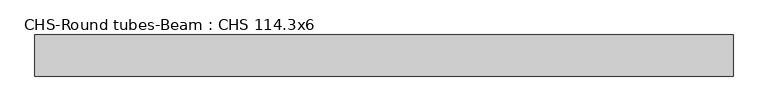
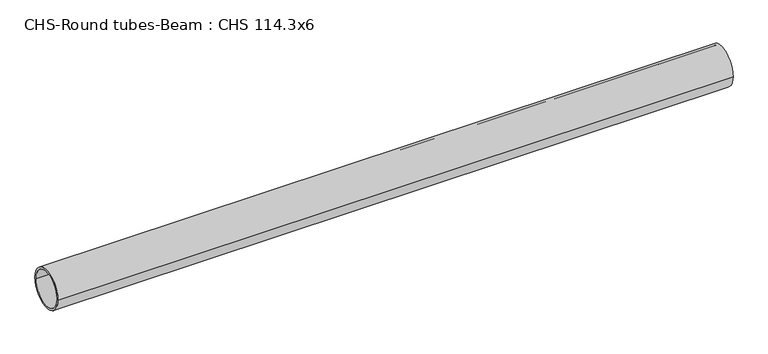
"""IFC4 building model written with IfcOpenShell, lengths in millimetres: beam geometry, CHS-Round tubes-Beam : CHS 114.3x6."""

from ifc_helpers import new_model, si_unit, point, frame, origin, origin_2d, place, context, project, spatial, circle_curve, trimmed, segment, composite_curve, outline, extrude, source, transform, mapped, element, save


def chs_round_tubes_beam_chs_114_3x6_d0e75232(model_context):
    return source(origin(), model_context, "Body", "SweptSolid", [
        extrude(outline(composite_curve([segment(trimmed(circle_curve(origin_2d(), 57.15), [point((57.15, 0.0))], [point((-57.15, 0.0))], False, "CARTESIAN"), True, "CONTINUOUS"), segment(trimmed(circle_curve(origin_2d(), 57.15), [point((-57.15, 0.0))], [point((57.15, 0.0))], False, "CARTESIAN"), True, "CONTINUOUS")], self_intersect=False), holes=[composite_curve([segment(trimmed(circle_curve(origin_2d(), 51.15), [point((51.15, 0.0))], [point((-51.15, 0.0))], True, "CARTESIAN"), True, "CONTINUOUS"), segment(trimmed(circle_curve(origin_2d(), 51.15), [point((-51.15, 0.0))], [point((51.15, 0.0))], True, "CARTESIAN"), True, "CONTINUOUS")], self_intersect=False)]), frame((-975.9700577, 0.0, 0.0), z_axis=(1.0, 0.0, 0.0), x_axis=(0.0, 1.0, 0.0)), (0.0, 0.0, 1.0), 1941.875436),
    ])


if __name__ == "__main__":
    model = new_model("IFC4")
    model_context = context("Model", 3, world=origin())
    ifc_project = project(units=[si_unit("LENGTHUNIT", "METRE", prefix="MILLI")], contexts=[model_context])
    site = spatial("IfcSite", under=ifc_project)
    building = spatial("IfcBuilding", under=site)
    placement = place(None, origin())
    chs_round_tubes_beam_chs_114_3x6_shape = chs_round_tubes_beam_chs_114_3x6_d0e75232(model_context)
    element("IfcBeam", 1, ObjectType="CHS-Round tubes-Beam : CHS 114.3x6", at=placement, inside=building, context=model_context, shape_type="MappedRepresentation", body=[
        mapped(chs_round_tubes_beam_chs_114_3x6_shape, transform((0.0, 0.0, 0.0), x_axis=(1.0, 0.0, 0.0), y_axis=(0.0, 1.0, 0.0), z_axis=(0.0, 0.0, 1.0))),
    ])
    save(model, "model.ifc")
